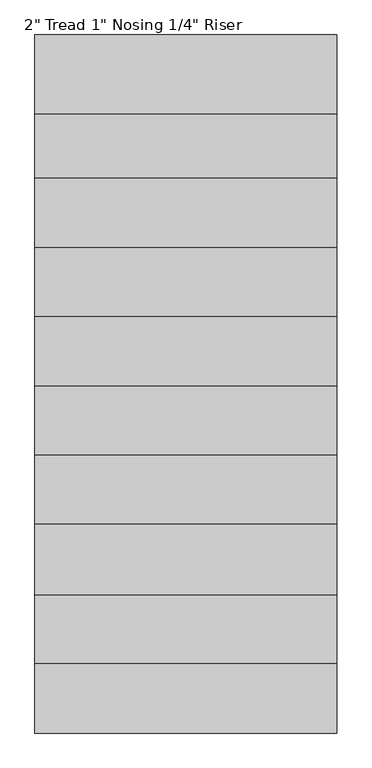
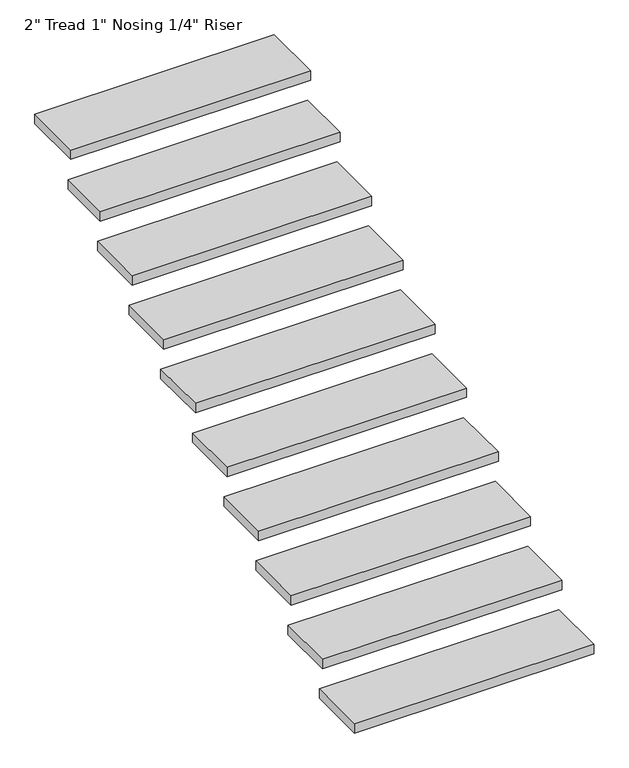
"""IFC4 building model written with IfcOpenShell, lengths in millimetres: stair flight geometry."""

import ifcopenshell
import ifcopenshell.guid

model = None  # the IFC model being written
_history = None  # IfcOwnerHistory: only IFC2X3 demands one
_inside = {}  # id of a spatial element -> (the spatial element, [elements in it])
_under = {}  # id of a project, library or spatial element -> (it, [spatial elements below it])
_declared = {}  # id of a project -> (the project, [libraries it declares])
_typed = {}  # id of a type object -> (the type object, [elements of that type])
_made_of = {}  # id of a material, layer set ... -> (it, [elements and type objects made of it])


def new_model(schema):
    """Start an empty IFC model of exactly this schema.

    Asked for "IFC4X3", IfcOpenShell would pick the latest addendum, in which some entities
    have other attributes; the version numbers below select the first issue.
    IFC2X3 requires an IfcOwnerHistory on every rooted entity: one is made here for all.
    """
    global model, _history
    if schema == "IFC4X3":
        model = ifcopenshell.file(schema_version=(4, 3, 0, 0))
    else:
        model = ifcopenshell.file(schema=schema)
    _inside.clear()
    _under.clear()
    _declared.clear()
    _typed.clear()
    _made_of.clear()
    _history = None
    if model.schema == "IFC2X3":
        org = make("IfcOrganization", Name="unknown")
        user = make(
            "IfcPersonAndOrganization",
            ThePerson=make("IfcPerson", FamilyName="unknown"),
            TheOrganization=org,
        )
        app = make(
            "IfcApplication",
            ApplicationDeveloper=org,
            Version="unknown",
            ApplicationFullName="unknown",
            ApplicationIdentifier="unknown",
        )
        _history = make(
            "IfcOwnerHistory",
            OwningUser=user,
            OwningApplication=app,
            ChangeAction="ADDED",
            CreationDate=0,
        )
    return model


def make(cls, **values):
    """One entity of the class cls with the attributes given. An attribute that is None is left unset."""
    return model.create_entity(
        cls, **{name: value for name, value in values.items() if value is not None}
    )


def rooted(cls, **values):
    """An entity with a GlobalId (a new one), such as an element, a storey or a relation."""
    return make(cls, GlobalId=ifcopenshell.guid.new(), OwnerHistory=_history, **values)


def si_unit(unit_type, name, prefix=None):
    """IfcSIUnit, for example si_unit("LENGTHUNIT", "METRE", prefix="MILLI")."""
    return make("IfcSIUnit", UnitType=unit_type, Prefix=prefix, Name=name)


def assignment(units):
    """IfcUnitAssignment: the units of a project."""
    return None if units is None else make("IfcUnitAssignment", Units=units)


def point(xyz):
    """IfcCartesianPoint."""
    return None if xyz is None else make("IfcCartesianPoint", Coordinates=xyz)


def direction(xyz):
    """IfcDirection."""
    return None if xyz is None else make("IfcDirection", DirectionRatios=xyz)


def frame(location, z_axis=None, x_axis=None):
    """IfcAxis2Placement3D, a coordinate frame: its origin and axes. An axis left out is left unset."""
    return make(
        "IfcAxis2Placement3D",
        Location=point(location),
        Axis=direction(z_axis),
        RefDirection=direction(x_axis),
    )


def origin():
    """The frame at (0, 0, 0) with its axes left unset."""
    return frame((0.0, 0.0, 0.0))


def place(relative_to, where):
    """IfcLocalPlacement: puts the frame where relative to a parent placement (None: the world)."""
    return make(
        "IfcLocalPlacement", PlacementRelTo=relative_to, RelativePlacement=where
    )


def context(
    kind, dimensions, precision=None, world=None, true_north=None, identifier=None
):
    """IfcGeometricRepresentationContext, for example the 3D "Model" context."""
    return make(
        "IfcGeometricRepresentationContext",
        ContextIdentifier=identifier,
        ContextType=kind,
        CoordinateSpaceDimension=dimensions,
        Precision=precision,
        WorldCoordinateSystem=world,
        TrueNorth=true_north,
    )


def project(units=None, contexts=None):
    """IfcProject with its units and contexts."""
    return rooted(
        "IfcProject",
        Name="project",
        RepresentationContexts=contexts,
        UnitsInContext=assignment(units),
    )


def spatial(cls, under=None, at=None, **own):
    """A site, building, storey or space (cls), placed at a placement, below another one or the project."""
    s = rooted(cls, ObjectPlacement=at, **own)
    if under is not None:
        _under.setdefault(under.id(), (under, []))[1].append(s)
    return s


def polyline(points):
    """IfcPolyline through the points."""
    return make("IfcPolyline", Points=[point(p) for p in points])


def outline(outer, holes=None, kind="AREA"):
    """IfcArbitraryClosedProfileDef: a profile drawn as a closed curve; with holes, ...WithVoids."""
    if holes is None:
        return make("IfcArbitraryClosedProfileDef", ProfileType=kind, OuterCurve=outer)
    return make(
        "IfcArbitraryProfileDefWithVoids",
        ProfileType=kind,
        OuterCurve=outer,
        InnerCurves=holes,
    )


def extrude(swept, where, along, depth):
    """IfcExtrudedAreaSolid: the profile swept, set in the frame where, extruded along a direction by depth."""
    return make(
        "IfcExtrudedAreaSolid",
        SweptArea=swept,
        Position=where,
        ExtrudedDirection=direction(along),
        Depth=depth,
    )


def shape(context_of_items, identifier, shape_type, items):
    """IfcShapeRepresentation: the items that make up one representation, for example the "Body"."""
    return make(
        "IfcShapeRepresentation",
        ContextOfItems=context_of_items,
        RepresentationIdentifier=identifier,
        RepresentationType=shape_type,
        Items=items,
    )


def source(mapping_origin, context_of_items, identifier, shape_type, items):
    """IfcRepresentationMap: a shape defined once, which mapped items show again and again."""
    return make(
        "IfcRepresentationMap",
        MappingOrigin=mapping_origin,
        MappedRepresentation=shape(context_of_items, identifier, shape_type, items),
    )


def transform(
    local_origin,
    x_axis=None,
    y_axis=None,
    z_axis=None,
    scale=None,
    scale2=None,
    scale3=None,
    uniform=True,
):
    """IfcCartesianTransformationOperator3D, or its non-uniform kind. x_axis, y_axis, z_axis: its Axis1, 2, 3."""
    if uniform:
        return make(
            "IfcCartesianTransformationOperator3D",
            Axis1=direction(x_axis),
            Axis2=direction(y_axis),
            LocalOrigin=point(local_origin),
            Scale=scale,
            Axis3=direction(z_axis),
        )
    return make(
        "IfcCartesianTransformationOperator3DnonUniform",
        Axis1=direction(x_axis),
        Axis2=direction(y_axis),
        LocalOrigin=point(local_origin),
        Scale=scale,
        Axis3=direction(z_axis),
        Scale2=scale2,
        Scale3=scale3,
    )


def mapped(mapping_source, mapping_target):
    """IfcMappedItem: shows the shape of a source again, moved by a transform."""
    return make(
        "IfcMappedItem", MappingSource=mapping_source, MappingTarget=mapping_target
    )


def made_of(thing, what):
    """Note that an element or type object is made of a material, layer set ...; save() writes the relation."""
    if what is not None:
        _made_of.setdefault(what.id(), (what, []))[1].append(thing)
    return thing


def element(
    cls,
    number,
    at=None,
    inside=None,
    cuts=None,
    type_object=None,
    material=None,
    context=None,
    identifier="Body",
    shape_type=None,
    held_by="IfcProductDefinitionShape",
    body=None,
    shapes=None,
    **own,
):
    """One element of the class cls, such as IfcWall. Its Tag is "e" and its number.

    at: its placement. inside: the storey or other place that contains it. cuts: it is an
    opening in that element (IfcRelVoidsElement). A single representation is given by context,
    identifier, shape_type and body (its items); several are given by shapes. held_by: the class
    of the entity that holds the representations. save() writes the other relations.
    """
    e = rooted(cls, Tag="e%d" % number, ObjectPlacement=at, **own)
    if body is not None:
        shapes = [shape(context, identifier, shape_type, body)]
    if shapes is not None:
        e.Representation = make(held_by, Representations=shapes)
    if inside is not None:
        _inside.setdefault(inside.id(), (inside, []))[1].append(e)
    if cuts is not None:
        rooted(
            "IfcRelVoidsElement", RelatingBuildingElement=cuts, RelatedOpeningElement=e
        )
    if type_object is not None:
        _typed.setdefault(type_object.id(), (type_object, []))[1].append(e)
    return made_of(e, material)


def aggregate(whole, parts):
    """IfcRelAggregates: a whole, such as a stair, and the parts it consists of."""
    return rooted("IfcRelAggregates", RelatingObject=whole, RelatedObjects=parts)


def save(model, path):
    """Write the relations noted so far, then the file.

    IfcRelAggregates (storeys below a building ...), IfcRelContainedInSpatialStructure (elements
    in a storey), IfcRelDefinesByType, IfcRelAssociatesMaterial and IfcRelDeclares: one each for
    every whole, place, type object, material and project.
    """
    for whole, parts in _under.values():
        aggregate(whole, parts)
    for where, things in _inside.values():
        rooted(
            "IfcRelContainedInSpatialStructure",
            RelatedElements=things,
            RelatingStructure=where,
        )
    for kind, things in _typed.values():
        rooted("IfcRelDefinesByType", RelatedObjects=things, RelatingType=kind)
    for what, things in _made_of.values():
        rooted("IfcRelAssociatesMaterial", RelatedObjects=things, RelatingMaterial=what)
    for by, libraries in _declared.values():
        rooted("IfcRelDeclares", RelatingContext=by, RelatedDefinitions=libraries)
    model.write(path)


def stair_flight_ca3ea71c(model_context):
    return source(origin(), model_context, "Body", "SweptSolid", [
        extrude(outline(polyline([(-11921.3997157, 3807.7627924), (-10702.1997157, 3807.7627924), (-10702.1997157, 3499.7877924), (-11921.3997157, 3499.7877924), (-11921.3997157, 3807.7627924)])), frame((0.0, 0.0, -8372.7636364), z_axis=(0.0, 0.0, 1.0), x_axis=(1.0, 0.0, 0.0)), (0.0, 0.0, 1.0), 50.8),
        extrude(outline(polyline([(-11921.3997157, 4083.9877924), (-10702.1997157, 4083.9877924), (-10702.1997157, 3782.3627924), (-11921.3997157, 3782.3627924), (-11921.3997157, 4083.9877924)])), frame((0.0, 0.0, -8198.4272727), z_axis=(0.0, 0.0, 1.0), x_axis=(1.0, 0.0, 0.0)), (0.0, 0.0, 1.0), 50.8),
        extrude(outline(polyline([(-11921.3997157, 4369.7377924), (-10702.1997157, 4369.7377924), (-10702.1997157, 4058.5877924), (-11921.3997157, 4058.5877924), (-11921.3997157, 4369.7377924)])), frame((0.0, 0.0, -8024.0909091), z_axis=(0.0, 0.0, 1.0), x_axis=(1.0, 0.0, 0.0)), (0.0, 0.0, 1.0), 50.8),
        extrude(outline(polyline([(-11921.3997157, 4649.1377924), (-10702.1997157, 4649.1377924), (-10702.1997157, 4344.3377924), (-11921.3997157, 4344.3377924), (-11921.3997157, 4649.1377924)])), frame((0.0, 0.0, -7849.7545455), z_axis=(0.0, 0.0, 1.0), x_axis=(1.0, 0.0, 0.0)), (0.0, 0.0, 1.0), 50.8),
        extrude(outline(polyline([(-11921.3997157, 4928.5377924), (-10702.1997157, 4928.5377924), (-10702.1997157, 4623.7377924), (-11921.3997157, 4623.7377924), (-11921.3997157, 4928.5377924)])), frame((0.0, 0.0, -7675.4181818), z_axis=(0.0, 0.0, 1.0), x_axis=(1.0, 0.0, 0.0)), (0.0, 0.0, 1.0), 50.8),
        extrude(outline(polyline([(-11921.3997157, 5207.9377924), (-10702.1997157, 5207.9377924), (-10702.1997157, 4903.1377924), (-11921.3997157, 4903.1377924), (-11921.3997157, 5207.9377924)])), frame((0.0, 0.0, -7501.0818182), z_axis=(0.0, 0.0, 1.0), x_axis=(1.0, 0.0, 0.0)), (0.0, 0.0, 1.0), 50.8),
        extrude(outline(polyline([(-11921.3997157, 5487.3377924), (-10702.1997157, 5487.3377924), (-10702.1997157, 5182.5377924), (-11921.3997157, 5182.5377924), (-11921.3997157, 5487.3377924)])), frame((0.0, 0.0, -7326.7454545), z_axis=(0.0, 0.0, 1.0), x_axis=(1.0, 0.0, 0.0)), (0.0, 0.0, 1.0), 50.8),
        extrude(outline(polyline([(-11921.3997157, 5766.7377924), (-10702.1997157, 5766.7377924), (-10702.1997157, 5461.9377924), (-11921.3997157, 5461.9377924), (-11921.3997157, 5766.7377924)])), frame((0.0, 0.0, -7152.4090909), z_axis=(0.0, 0.0, 1.0), x_axis=(1.0, 0.0, 0.0)), (0.0, 0.0, 1.0), 50.8),
        extrude(outline(polyline([(-11921.3997157, 6027.0877924), (-10702.1997157, 6027.0877924), (-10702.1997157, 5741.3377924), (-11921.3997157, 5741.3377924), (-11921.3997157, 6027.0877924)])), frame((0.0, 0.0, -6978.0727273), z_axis=(0.0, 0.0, 1.0), x_axis=(1.0, 0.0, 0.0)), (0.0, 0.0, 1.0), 50.8),
        extrude(outline(polyline([(-11921.3997157, 6319.1877924), (-10702.1997157, 6319.1877924), (-10702.1997157, 6001.6877924), (-11921.3997157, 6001.6877924), (-11921.3997157, 6319.1877924)])), frame((0.0, 0.0, -6803.7363636), z_axis=(0.0, 0.0, 1.0), x_axis=(1.0, 0.0, 0.0)), (0.0, 0.0, 1.0), 50.8),
    ])


if __name__ == "__main__":
    model = new_model("IFC4")
    model_context = context("Model", 3, world=origin())
    ifc_project = project(units=[si_unit("LENGTHUNIT", "METRE", prefix="MILLI")], contexts=[model_context])
    site = spatial("IfcSite", under=ifc_project)
    building = spatial("IfcBuilding", under=site)
    placement = place(None, origin())
    stair_flight_shape = stair_flight_ca3ea71c(model_context)
    element("IfcStairFlight", 1, ObjectType="2\" Tread 1\" Nosing 1/4\" Riser", at=placement, inside=building, context=model_context, shape_type="MappedRepresentation", body=[
        mapped(stair_flight_shape, transform((0.0, 0.0, 0.0), x_axis=(1.0, 0.0, 0.0), y_axis=(0.0, 1.0, 0.0), z_axis=(0.0, 0.0, 1.0))),
    ])
    save(model, "model.ifc")
